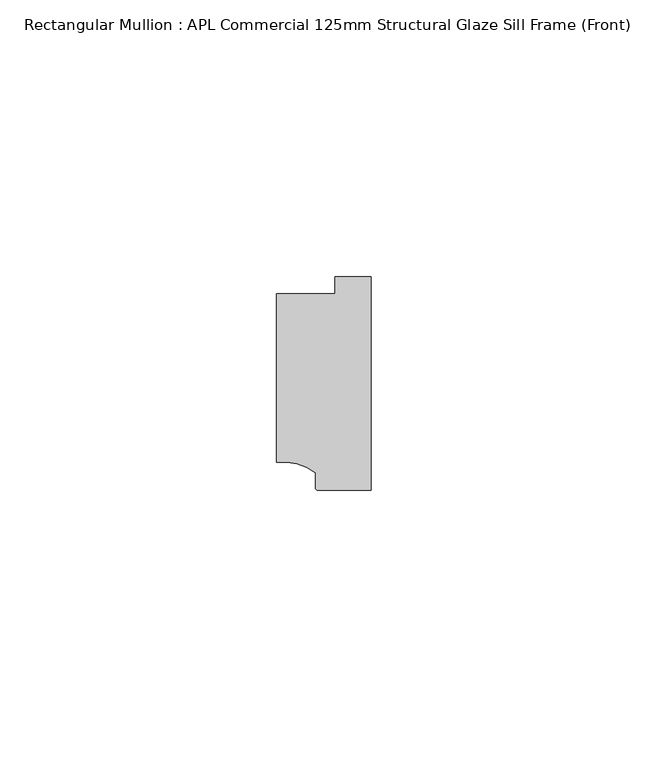
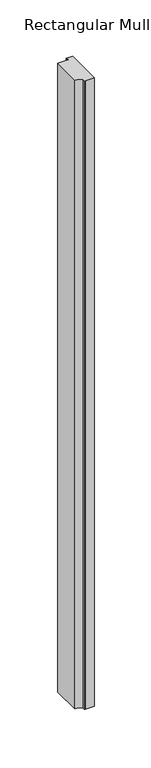
"""IFC4 building model written with IfcOpenShell, lengths in millimetres: member geometry, Rectangular Mullion : APL Commercial 125mm Structural Glaze Sill Frame (Front)."""

from ifc_helpers import new_model, si_unit, point, frame, frame_2d, origin, place, context, project, spatial, polyline, circle_curve, trimmed, segment, composite_curve, outline, extrude, source, transform, mapped, element, save


def rectangular_mullion_apl_commercial_125mm_structural_glaze_5e7b9753(model_context):
    return source(origin(), model_context, "Body", "SweptSolid", [
        extrude(outline(composite_curve([segment(polyline([(-16.999942, -15.3793144), (-16.999942, 15.0004332), (-6.5000029, 15.0004332), (-6.5000029, 18.0281616), (0.0, 18.0281616), (0.0, -20.49978), (-9.5000029, -20.49978)]), True, "CONTINUOUS"), segment(trimmed(circle_curve(frame_2d((-9.5000029, -19.99978)), 0.5), [point((-9.5000029, -20.49978))], [point((-10.0, -19.9980675))], False, "CARTESIAN"), True, "CONTINUOUS"), segment(polyline([(-10.0, -19.9980675), (-10.0, -17.3120901)]), True, "CONTINUOUS"), segment(trimmed(circle_curve(frame_2d((-16.1098048, -25.7977481)), 10.4563907), [point((-10.0, -17.3120901))], [point((-16.999942, -15.3793144))], True, "CARTESIAN"), True, "CONTINUOUS")], self_intersect=False)), frame((0.0, 0.0, -683.0116009), z_axis=(0.0, 0.0, 1.0), x_axis=(1.0, 0.0, 0.0)), (0.0, 0.0, 1.0), 683.0116009),
    ])


if __name__ == "__main__":
    model = new_model("IFC4")
    model_context = context("Model", 3, world=origin())
    ifc_project = project(units=[si_unit("LENGTHUNIT", "METRE", prefix="MILLI")], contexts=[model_context])
    site = spatial("IfcSite", under=ifc_project)
    building = spatial("IfcBuilding", under=site)
    placement = place(None, origin())
    rectangular_mullion_apl_commercial_125mm_structural_glaze_shape = rectangular_mullion_apl_commercial_125mm_structural_glaze_5e7b9753(model_context)
    element("IfcMember", 1, ObjectType="Rectangular Mullion : APL Commercial 125mm Structural Glaze Sill Frame (Front)", at=placement, inside=building, context=model_context, shape_type="MappedRepresentation", body=[
        mapped(rectangular_mullion_apl_commercial_125mm_structural_glaze_shape, transform((0.0, 0.0, 0.0), x_axis=(1.0, 0.0, 0.0), y_axis=(0.0, 1.0, 0.0), z_axis=(0.0, 0.0, 1.0))),
    ])
    save(model, "model.ifc")
